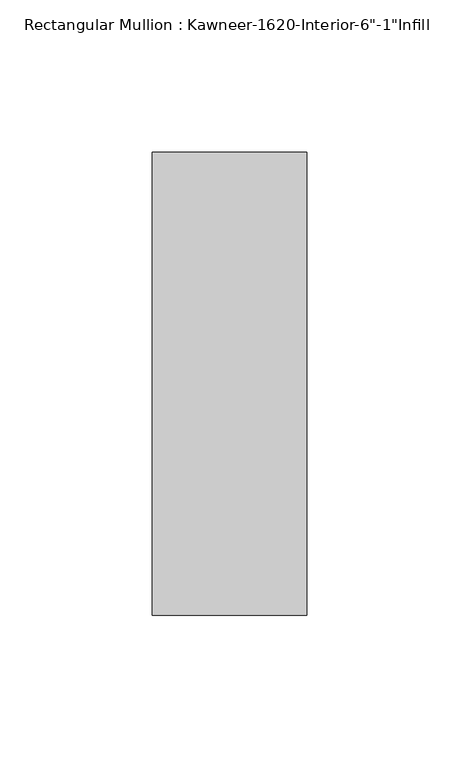
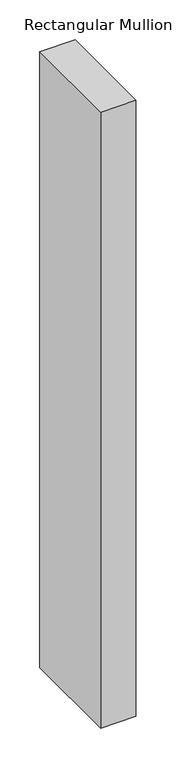
"""IFC4 building model written with IfcOpenShell, lengths in millimetres: member geometry."""

from ifc_helpers import new_model, si_unit, frame, origin, place, context, project, spatial, polyline, outline, extrude, source, transform, mapped, element, save


def member_8cabcf14(model_context):
    return source(origin(), model_context, "Body", "SweptSolid", [
        extrude(outline(polyline([(25.4, -114.3), (-25.4, -114.3), (-25.4, 38.1), (25.4, 38.1), (25.4, -114.3)])), frame((0.0, 0.0, -941.1568005), z_axis=(0.0, 0.0, 1.0), x_axis=(1.0, 0.0, 0.0)), (0.0, 0.0, 1.0), 941.1568005),
    ])


if __name__ == "__main__":
    model = new_model("IFC4")
    model_context = context("Model", 3, world=origin())
    ifc_project = project(units=[si_unit("LENGTHUNIT", "METRE", prefix="MILLI")], contexts=[model_context])
    site = spatial("IfcSite", under=ifc_project)
    building = spatial("IfcBuilding", under=site)
    placement = place(None, origin())
    member_shape = member_8cabcf14(model_context)
    element("IfcMember", 1, ObjectType="Rectangular Mullion : Kawneer-1620-Interior-6\"-1\"Infill", at=placement, inside=building, context=model_context, shape_type="MappedRepresentation", body=[
        mapped(member_shape, transform((0.0, 0.0, 0.0), x_axis=(1.0, 0.0, 0.0), y_axis=(0.0, 1.0, 0.0), z_axis=(0.0, 0.0, 1.0))),
    ])
    save(model, "model.ifc")
